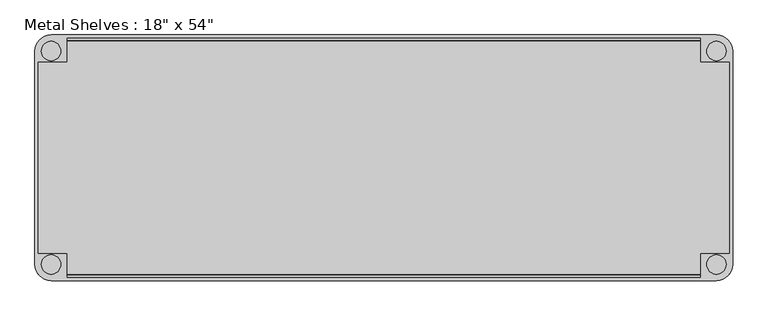
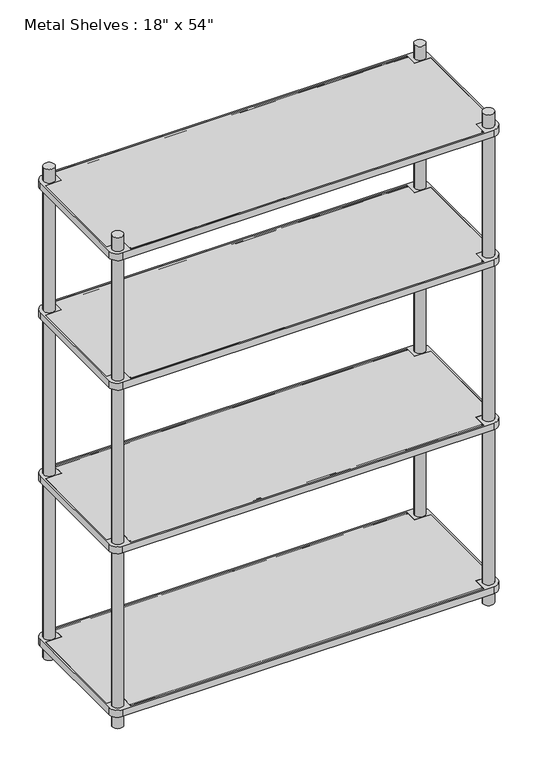
"""IFC4 building model written with IfcOpenShell, lengths in millimetres: furniture geometry."""

from ifc_helpers import new_model, si_unit, point, frame, frame_2d, origin, origin_with_axes, place, context, project, spatial, polyline, circle_curve, trimmed, segment, composite_curve, outline, extrude, source, transform, mapped, element, save


def furniture_fe8b8f31(model_context):
    return source(origin(), model_context, "Body", "SweptSolid", [
        extrude(outline(polyline([(-622.3, 234.95), (622.3, 234.95), (622.3, 187.325), (679.45, 187.325), (679.45, -187.325), (622.3, -187.325), (622.3, -234.95), (-622.3, -234.95), (-622.3, -187.325), (-679.45, -187.325), (-679.45, 187.325), (-622.3, 187.325), (-622.3, 234.95)])), frame((0.0, 0.0, 50.8), z_axis=(0.0, 0.0, 1.0), x_axis=(1.0, 0.0, 0.0)), (0.0, 0.0, 1.0), 25.4),
        extrude(outline(polyline([(-622.3, 234.95), (622.3, 234.95), (622.3, 187.325), (679.45, 187.325), (679.45, -187.325), (622.3, -187.325), (622.3, -234.95), (-622.3, -234.95), (-622.3, -187.325), (-679.45, -187.325), (-679.45, 187.325), (-622.3, 187.325), (-622.3, 234.95)])), frame((0.0, 0.0, 660.4), z_axis=(0.0, 0.0, 1.0), x_axis=(1.0, 0.0, 0.0)), (0.0, 0.0, 1.0), 25.4),
        extrude(outline(polyline([(-622.3, 234.95), (622.3, 234.95), (622.3, 187.325), (679.45, 187.325), (679.45, -187.325), (622.3, -187.325), (622.3, -234.95), (-622.3, -234.95), (-622.3, -187.325), (-679.45, -187.325), (-679.45, 187.325), (-622.3, 187.325), (-622.3, 234.95)])), frame((0.0, 0.0, 1270.0), z_axis=(0.0, 0.0, 1.0), x_axis=(1.0, 0.0, 0.0)), (0.0, 0.0, 1.0), 25.4),
        extrude(outline(polyline([(-679.45, 187.325), (-622.3, 187.325), (-622.3, 234.95), (622.3, 234.95), (622.3, 187.325), (679.45, 187.325), (679.45, -187.325), (622.3, -187.325), (622.3, -234.95), (-622.3, -234.95), (-622.3, -187.325), (-679.45, -187.325), (-679.45, 187.325)])), frame((0.0, 0.0, 1752.6), z_axis=(0.0, 0.0, 1.0), x_axis=(1.0, 0.0, 0.0)), (0.0, 0.0, 1.0), 25.4),
        extrude(outline(composite_curve([segment(trimmed(circle_curve(frame_2d((654.05, -209.55)), 31.75), [point((685.8, -209.55))], [point((654.05, -241.3))], False, "CARTESIAN"), True, "CONTINUOUS"), segment(polyline([(654.05, -241.3), (-654.05, -241.3)]), True, "CONTINUOUS"), segment(trimmed(circle_curve(frame_2d((-654.05, -209.55)), 31.75), [point((-654.05, -241.3))], [point((-685.8, -209.55))], False, "CARTESIAN"), True, "CONTINUOUS"), segment(polyline([(-685.8, -209.55), (-685.8, 209.55)]), True, "CONTINUOUS"), segment(trimmed(circle_curve(frame_2d((-654.05, 209.55)), 31.75), [point((-685.8, 209.55))], [point((-654.05, 241.3))], False, "CARTESIAN"), True, "CONTINUOUS"), segment(polyline([(-654.05, 241.3), (654.05, 241.3)]), True, "CONTINUOUS"), segment(trimmed(circle_curve(frame_2d((654.05, 209.55)), 31.75), [point((654.05, 241.3))], [point((685.8, 209.55))], False, "CARTESIAN"), True, "CONTINUOUS"), segment(polyline([(685.8, 209.55), (685.8, -209.55)]), True, "CONTINUOUS")], self_intersect=False), holes=[polyline([(-622.3, -234.95), (622.3, -234.95), (622.3, -187.325), (679.45, -187.325), (679.45, 187.325), (622.3, 187.325), (622.3, 234.95), (-622.3, 234.95), (-622.3, 187.325), (-679.45, 187.325), (-679.45, -187.325), (-622.3, -187.325), (-622.3, -234.95)]), composite_curve([segment(trimmed(circle_curve(frame_2d((654.05, -209.55)), 19.05), [point((635.0, -209.55))], [point((673.1, -209.55))], True, "CARTESIAN"), True, "CONTINUOUS"), segment(trimmed(circle_curve(frame_2d((654.05, -209.55)), 19.05), [point((673.1, -209.55))], [point((635.0, -209.55))], True, "CARTESIAN"), True, "CONTINUOUS")], self_intersect=False), composite_curve([segment(trimmed(circle_curve(frame_2d((654.05, 209.55)), 19.05), [point((635.0, 209.55))], [point((673.1, 209.55))], True, "CARTESIAN"), True, "CONTINUOUS"), segment(trimmed(circle_curve(frame_2d((654.05, 209.55)), 19.05), [point((673.1, 209.55))], [point((635.0, 209.55))], True, "CARTESIAN"), True, "CONTINUOUS")], self_intersect=False), composite_curve([segment(trimmed(circle_curve(frame_2d((-654.05, 209.55)), 19.05), [point((-635.0, 209.55))], [point((-673.1, 209.55))], True, "CARTESIAN"), True, "CONTINUOUS"), segment(trimmed(circle_curve(frame_2d((-654.05, 209.55)), 19.05), [point((-673.1, 209.55))], [point((-635.0, 209.55))], True, "CARTESIAN"), True, "CONTINUOUS")], self_intersect=False), composite_curve([segment(trimmed(circle_curve(frame_2d((-654.05, -209.55)), 19.05), [point((-635.0, -209.55))], [point((-673.1, -209.55))], True, "CARTESIAN"), True, "CONTINUOUS"), segment(trimmed(circle_curve(frame_2d((-654.05, -209.55)), 19.05), [point((-673.1, -209.55))], [point((-635.0, -209.55))], True, "CARTESIAN"), True, "CONTINUOUS")], self_intersect=False)]), frame((0.0, 0.0, 660.4), z_axis=(0.0, 0.0, 1.0), x_axis=(1.0, 0.0, 0.0)), (0.0, 0.0, 1.0), 25.4),
        extrude(outline(composite_curve([segment(trimmed(circle_curve(frame_2d((-654.05, -209.55)), 31.75), [point((-654.05, -241.3))], [point((-685.8, -209.55))], False, "CARTESIAN"), True, "CONTINUOUS"), segment(polyline([(-685.8, -209.55), (-685.8, 209.55)]), True, "CONTINUOUS"), segment(trimmed(circle_curve(frame_2d((-654.05, 209.55)), 31.75), [point((-685.8, 209.55))], [point((-654.05, 241.3))], False, "CARTESIAN"), True, "CONTINUOUS"), segment(polyline([(-654.05, 241.3), (654.05, 241.3)]), True, "CONTINUOUS"), segment(trimmed(circle_curve(frame_2d((654.05, 209.55)), 31.75), [point((654.05, 241.3))], [point((685.8, 209.55))], False, "CARTESIAN"), True, "CONTINUOUS"), segment(polyline([(685.8, 209.55), (685.8, -209.55)]), True, "CONTINUOUS"), segment(trimmed(circle_curve(frame_2d((654.05, -209.55)), 31.75), [point((685.8, -209.55))], [point((654.05, -241.3))], False, "CARTESIAN"), True, "CONTINUOUS"), segment(polyline([(654.05, -241.3), (-654.05, -241.3)]), True, "CONTINUOUS")], self_intersect=False), holes=[composite_curve([segment(trimmed(circle_curve(frame_2d((-654.05, -209.55)), 19.05), [point((-635.0, -209.55))], [point((-673.1, -209.55))], True, "CARTESIAN"), True, "CONTINUOUS"), segment(trimmed(circle_curve(frame_2d((-654.05, -209.55)), 19.05), [point((-673.1, -209.55))], [point((-635.0, -209.55))], True, "CARTESIAN"), True, "CONTINUOUS")], self_intersect=False), composite_curve([segment(trimmed(circle_curve(frame_2d((-654.05, 209.55)), 19.05), [point((-635.0, 209.55))], [point((-673.1, 209.55))], True, "CARTESIAN"), True, "CONTINUOUS"), segment(trimmed(circle_curve(frame_2d((-654.05, 209.55)), 19.05), [point((-673.1, 209.55))], [point((-635.0, 209.55))], True, "CARTESIAN"), True, "CONTINUOUS")], self_intersect=False), composite_curve([segment(trimmed(circle_curve(frame_2d((654.05, -209.55)), 19.05), [point((635.0, -209.55))], [point((673.1, -209.55))], True, "CARTESIAN"), True, "CONTINUOUS"), segment(trimmed(circle_curve(frame_2d((654.05, -209.55)), 19.05), [point((673.1, -209.55))], [point((635.0, -209.55))], True, "CARTESIAN"), True, "CONTINUOUS")], self_intersect=False), composite_curve([segment(trimmed(circle_curve(frame_2d((654.05, 209.55)), 19.05), [point((635.0, 209.55))], [point((673.1, 209.55))], True, "CARTESIAN"), True, "CONTINUOUS"), segment(trimmed(circle_curve(frame_2d((654.05, 209.55)), 19.05), [point((673.1, 209.55))], [point((635.0, 209.55))], True, "CARTESIAN"), True, "CONTINUOUS")], self_intersect=False), polyline([(-622.3, -234.95), (622.3, -234.95), (622.3, -187.325), (679.45, -187.325), (679.45, 187.325), (622.3, 187.325), (622.3, 234.95), (-622.3, 234.95), (-622.3, 187.325), (-679.45, 187.325), (-679.45, -187.325), (-622.3, -187.325), (-622.3, -234.95)])]), frame((0.0, 0.0, 50.8), z_axis=(0.0, 0.0, 1.0), x_axis=(1.0, 0.0, 0.0)), (0.0, 0.0, 1.0), 25.4),
        extrude(outline(composite_curve([segment(trimmed(circle_curve(frame_2d((-654.05, 209.55)), 31.75), [point((-685.8, 209.55))], [point((-654.05, 241.3))], False, "CARTESIAN"), True, "CONTINUOUS"), segment(polyline([(-654.05, 241.3), (654.05, 241.3)]), True, "CONTINUOUS"), segment(trimmed(circle_curve(frame_2d((654.05, 209.55)), 31.75), [point((654.05, 241.3))], [point((685.8, 209.55))], False, "CARTESIAN"), True, "CONTINUOUS"), segment(polyline([(685.8, 209.55), (685.8, -209.55)]), True, "CONTINUOUS"), segment(trimmed(circle_curve(frame_2d((654.05, -209.55)), 31.75), [point((685.8, -209.55))], [point((654.05, -241.3))], False, "CARTESIAN"), True, "CONTINUOUS"), segment(polyline([(654.05, -241.3), (-654.05, -241.3)]), True, "CONTINUOUS"), segment(trimmed(circle_curve(frame_2d((-654.05, -209.55)), 31.75), [point((-654.05, -241.3))], [point((-685.8, -209.55))], False, "CARTESIAN"), True, "CONTINUOUS"), segment(polyline([(-685.8, -209.55), (-685.8, 209.55)]), True, "CONTINUOUS")], self_intersect=False), holes=[composite_curve([segment(trimmed(circle_curve(frame_2d((-654.05, 209.55)), 19.05), [point((-635.0, 209.55))], [point((-673.1, 209.55))], True, "CARTESIAN"), True, "CONTINUOUS"), segment(trimmed(circle_curve(frame_2d((-654.05, 209.55)), 19.05), [point((-673.1, 209.55))], [point((-635.0, 209.55))], True, "CARTESIAN"), True, "CONTINUOUS")], self_intersect=False), composite_curve([segment(trimmed(circle_curve(frame_2d((-654.05, -209.55)), 19.05), [point((-635.0, -209.55))], [point((-673.1, -209.55))], True, "CARTESIAN"), True, "CONTINUOUS"), segment(trimmed(circle_curve(frame_2d((-654.05, -209.55)), 19.05), [point((-673.1, -209.55))], [point((-635.0, -209.55))], True, "CARTESIAN"), True, "CONTINUOUS")], self_intersect=False), composite_curve([segment(trimmed(circle_curve(frame_2d((654.05, -209.55)), 19.05), [point((635.0, -209.55))], [point((673.1, -209.55))], True, "CARTESIAN"), True, "CONTINUOUS"), segment(trimmed(circle_curve(frame_2d((654.05, -209.55)), 19.05), [point((673.1, -209.55))], [point((635.0, -209.55))], True, "CARTESIAN"), True, "CONTINUOUS")], self_intersect=False), polyline([(-622.3, -234.95), (622.3, -234.95), (622.3, -187.325), (679.45, -187.325), (679.45, 187.325), (622.3, 187.325), (622.3, 234.95), (-622.3, 234.95), (-622.3, 187.325), (-679.45, 187.325), (-679.45, -187.325), (-622.3, -187.325), (-622.3, -234.95)]), composite_curve([segment(trimmed(circle_curve(frame_2d((654.05, 209.55)), 19.05), [point((635.0, 209.55))], [point((673.1, 209.55))], True, "CARTESIAN"), True, "CONTINUOUS"), segment(trimmed(circle_curve(frame_2d((654.05, 209.55)), 19.05), [point((673.1, 209.55))], [point((635.0, 209.55))], True, "CARTESIAN"), True, "CONTINUOUS")], self_intersect=False)]), frame((0.0, 0.0, 1270.0), z_axis=(0.0, 0.0, 1.0), x_axis=(1.0, 0.0, 0.0)), (0.0, 0.0, 1.0), 25.4),
        extrude(outline(composite_curve([segment(trimmed(circle_curve(frame_2d((-654.05, -209.55)), 31.75), [point((-654.05, -241.3))], [point((-685.8, -209.55))], False, "CARTESIAN"), True, "CONTINUOUS"), segment(polyline([(-685.8, -209.55), (-685.8, 209.55)]), True, "CONTINUOUS"), segment(trimmed(circle_curve(frame_2d((-654.05, 209.55)), 31.75), [point((-685.8, 209.55))], [point((-654.05, 241.3))], False, "CARTESIAN"), True, "CONTINUOUS"), segment(polyline([(-654.05, 241.3), (654.05, 241.3)]), True, "CONTINUOUS"), segment(trimmed(circle_curve(frame_2d((654.05, 209.55)), 31.75), [point((654.05, 241.3))], [point((685.8, 209.55))], False, "CARTESIAN"), True, "CONTINUOUS"), segment(polyline([(685.8, 209.55), (685.8, -209.55)]), True, "CONTINUOUS"), segment(trimmed(circle_curve(frame_2d((654.05, -209.55)), 31.75), [point((685.8, -209.55))], [point((654.05, -241.3))], False, "CARTESIAN"), True, "CONTINUOUS"), segment(polyline([(654.05, -241.3), (-654.05, -241.3)]), True, "CONTINUOUS")], self_intersect=False), holes=[composite_curve([segment(trimmed(circle_curve(frame_2d((654.05, 209.55)), 19.05), [point((635.0, 209.55))], [point((673.1, 209.55))], True, "CARTESIAN"), True, "CONTINUOUS"), segment(trimmed(circle_curve(frame_2d((654.05, 209.55)), 19.05), [point((673.1, 209.55))], [point((635.0, 209.55))], True, "CARTESIAN"), True, "CONTINUOUS")], self_intersect=False), composite_curve([segment(trimmed(circle_curve(frame_2d((654.05, -209.55)), 19.05), [point((635.0, -209.55))], [point((673.1, -209.55))], True, "CARTESIAN"), True, "CONTINUOUS"), segment(trimmed(circle_curve(frame_2d((654.05, -209.55)), 19.05), [point((673.1, -209.55))], [point((635.0, -209.55))], True, "CARTESIAN"), True, "CONTINUOUS")], self_intersect=False), composite_curve([segment(trimmed(circle_curve(frame_2d((-654.05, 209.55)), 19.05), [point((-635.0, 209.55))], [point((-673.1, 209.55))], True, "CARTESIAN"), True, "CONTINUOUS"), segment(trimmed(circle_curve(frame_2d((-654.05, 209.55)), 19.05), [point((-673.1, 209.55))], [point((-635.0, 209.55))], True, "CARTESIAN"), True, "CONTINUOUS")], self_intersect=False), polyline([(679.45, -187.325), (679.45, 187.325), (622.3, 187.325), (622.3, 234.95), (-622.3, 234.95), (-622.3, 187.325), (-679.45, 187.325), (-679.45, -187.325), (-622.3, -187.325), (-622.3, -234.95), (622.3, -234.95), (622.3, -187.325), (679.45, -187.325)]), composite_curve([segment(trimmed(circle_curve(frame_2d((-654.05, -209.55)), 19.05), [point((-635.0, -209.55))], [point((-673.1, -209.55))], True, "CARTESIAN"), True, "CONTINUOUS"), segment(trimmed(circle_curve(frame_2d((-654.05, -209.55)), 19.05), [point((-673.1, -209.55))], [point((-635.0, -209.55))], True, "CARTESIAN"), True, "CONTINUOUS")], self_intersect=False)]), frame((0.0, 0.0, 1752.6), z_axis=(0.0, 0.0, 1.0), x_axis=(1.0, 0.0, 0.0)), (0.0, 0.0, 1.0), 25.4),
        extrude(outline(composite_curve([segment(trimmed(circle_curve(frame_2d((228.6, 1776.4125)), 1.5875), [point((227.0125, 1776.4125))], [point((230.1875, 1776.4125))], False, "CARTESIAN"), True, "CONTINUOUS"), segment(trimmed(circle_curve(frame_2d((228.6, 1776.4125)), 1.5875), [point((230.1875, 1776.4125))], [point((227.0125, 1776.4125))], False, "CARTESIAN"), True, "CONTINUOUS")], self_intersect=False)), frame((-622.3, 0.0, 0.0), z_axis=(1.0, 0.0, 0.0), x_axis=(0.0, 1.0, 0.0)), (0.0, 0.0, 1.0), 1244.6),
        extrude(outline(composite_curve([segment(trimmed(circle_curve(frame_2d((-228.6, 1776.4125)), 1.5875), [point((-230.1875, 1776.4125))], [point((-227.0125, 1776.4125))], False, "CARTESIAN"), True, "CONTINUOUS"), segment(trimmed(circle_curve(frame_2d((-228.6, 1776.4125)), 1.5875), [point((-227.0125, 1776.4125))], [point((-230.1875, 1776.4125))], False, "CARTESIAN"), True, "CONTINUOUS")], self_intersect=False)), frame((-622.3, 0.0, 0.0), z_axis=(1.0, 0.0, 0.0), x_axis=(0.0, 1.0, 0.0)), (0.0, 0.0, 1.0), 1244.6),
        extrude(outline(composite_curve([segment(trimmed(circle_curve(frame_2d((228.6, 1293.8125)), 1.5875), [point((227.0125, 1293.8125))], [point((230.1875, 1293.8125))], False, "CARTESIAN"), True, "CONTINUOUS"), segment(trimmed(circle_curve(frame_2d((228.6, 1293.8125)), 1.5875), [point((230.1875, 1293.8125))], [point((227.0125, 1293.8125))], False, "CARTESIAN"), True, "CONTINUOUS")], self_intersect=False)), frame((-622.3, 0.0, 0.0), z_axis=(1.0, 0.0, 0.0), x_axis=(0.0, 1.0, 0.0)), (0.0, 0.0, 1.0), 1244.6),
        extrude(outline(composite_curve([segment(trimmed(circle_curve(frame_2d((-228.6, 1293.8125)), 1.5875), [point((-230.1875, 1293.8125))], [point((-227.0125, 1293.8125))], False, "CARTESIAN"), True, "CONTINUOUS"), segment(trimmed(circle_curve(frame_2d((-228.6, 1293.8125)), 1.5875), [point((-227.0125, 1293.8125))], [point((-230.1875, 1293.8125))], False, "CARTESIAN"), True, "CONTINUOUS")], self_intersect=False)), frame((-622.3, 0.0, 0.0), z_axis=(1.0, 0.0, 0.0), x_axis=(0.0, 1.0, 0.0)), (0.0, 0.0, 1.0), 1244.6),
        extrude(outline(composite_curve([segment(trimmed(circle_curve(frame_2d((228.6, 684.2125)), 1.5875), [point((227.0125, 684.2125))], [point((230.1875, 684.2125))], False, "CARTESIAN"), True, "CONTINUOUS"), segment(trimmed(circle_curve(frame_2d((228.6, 684.2125)), 1.5875), [point((230.1875, 684.2125))], [point((227.0125, 684.2125))], False, "CARTESIAN"), True, "CONTINUOUS")], self_intersect=False)), frame((-622.3, 0.0, 0.0), z_axis=(1.0, 0.0, 0.0), x_axis=(0.0, 1.0, 0.0)), (0.0, 0.0, 1.0), 1244.6),
        extrude(outline(composite_curve([segment(trimmed(circle_curve(frame_2d((-228.6, 684.2125)), 1.5875), [point((-230.1875, 684.2125))], [point((-227.0125, 684.2125))], False, "CARTESIAN"), True, "CONTINUOUS"), segment(trimmed(circle_curve(frame_2d((-228.6, 684.2125)), 1.5875), [point((-227.0125, 684.2125))], [point((-230.1875, 684.2125))], False, "CARTESIAN"), True, "CONTINUOUS")], self_intersect=False)), frame((-622.3, 0.0, 0.0), z_axis=(1.0, 0.0, 0.0), x_axis=(0.0, 1.0, 0.0)), (0.0, 0.0, 1.0), 1244.6),
        extrude(outline(composite_curve([segment(trimmed(circle_curve(frame_2d((228.6, 74.6125)), 1.5875), [point((227.0125, 74.6125))], [point((230.1875, 74.6125))], False, "CARTESIAN"), True, "CONTINUOUS"), segment(trimmed(circle_curve(frame_2d((228.6, 74.6125)), 1.5875), [point((230.1875, 74.6125))], [point((227.0125, 74.6125))], False, "CARTESIAN"), True, "CONTINUOUS")], self_intersect=False)), frame((-622.3, 0.0, 0.0), z_axis=(1.0, 0.0, 0.0), x_axis=(0.0, 1.0, 0.0)), (0.0, 0.0, 1.0), 1244.6),
        extrude(outline(composite_curve([segment(trimmed(circle_curve(frame_2d((-228.6, 74.6125)), 1.5875), [point((-230.1875, 74.6125))], [point((-227.0125, 74.6125))], False, "CARTESIAN"), True, "CONTINUOUS"), segment(trimmed(circle_curve(frame_2d((-228.6, 74.6125)), 1.5875), [point((-227.0125, 74.6125))], [point((-230.1875, 74.6125))], False, "CARTESIAN"), True, "CONTINUOUS")], self_intersect=False)), frame((-622.3, 0.0, 0.0), z_axis=(1.0, 0.0, 0.0), x_axis=(0.0, 1.0, 0.0)), (0.0, 0.0, 1.0), 1244.6),
        extrude(outline(composite_curve([segment(trimmed(circle_curve(frame_2d((654.05, -209.55)), 19.05), [point((673.1, -209.55))], [point((635.0, -209.55))], False, "CARTESIAN"), True, "CONTINUOUS"), segment(trimmed(circle_curve(frame_2d((654.05, -209.55)), 19.05), [point((635.0, -209.55))], [point((673.1, -209.55))], False, "CARTESIAN"), True, "CONTINUOUS")], self_intersect=False)), origin_with_axes(), (0.0, 0.0, 1.0), 1828.8),
        extrude(outline(composite_curve([segment(trimmed(circle_curve(frame_2d((-654.05, -209.55)), 19.05), [point((-673.1, -209.55))], [point((-635.0, -209.55))], False, "CARTESIAN"), True, "CONTINUOUS"), segment(trimmed(circle_curve(frame_2d((-654.05, -209.55)), 19.05), [point((-635.0, -209.55))], [point((-673.1, -209.55))], False, "CARTESIAN"), True, "CONTINUOUS")], self_intersect=False)), origin_with_axes(), (0.0, 0.0, 1.0), 1828.8),
        extrude(outline(composite_curve([segment(trimmed(circle_curve(frame_2d((654.05, 209.55)), 19.05), [point((673.1, 209.55))], [point((635.0, 209.55))], False, "CARTESIAN"), True, "CONTINUOUS"), segment(trimmed(circle_curve(frame_2d((654.05, 209.55)), 19.05), [point((635.0, 209.55))], [point((673.1, 209.55))], False, "CARTESIAN"), True, "CONTINUOUS")], self_intersect=False)), origin_with_axes(), (0.0, 0.0, 1.0), 1828.8),
        extrude(outline(composite_curve([segment(trimmed(circle_curve(frame_2d((-654.05, 209.55)), 19.05), [point((-673.1, 209.55))], [point((-635.0, 209.55))], False, "CARTESIAN"), True, "CONTINUOUS"), segment(trimmed(circle_curve(frame_2d((-654.05, 209.55)), 19.05), [point((-635.0, 209.55))], [point((-673.1, 209.55))], False, "CARTESIAN"), True, "CONTINUOUS")], self_intersect=False)), origin_with_axes(), (0.0, 0.0, 1.0), 1828.8),
    ])


if __name__ == "__main__":
    model = new_model("IFC4")
    model_context = context("Model", 3, world=origin())
    ifc_project = project(units=[si_unit("LENGTHUNIT", "METRE", prefix="MILLI")], contexts=[model_context])
    site = spatial("IfcSite", under=ifc_project)
    building = spatial("IfcBuilding", under=site)
    placement = place(None, origin())
    furniture_shape = furniture_fe8b8f31(model_context)
    element("IfcFurniture", 1, ObjectType="Metal Shelves : 18\" x 54\"", at=placement, inside=building, context=model_context, shape_type="MappedRepresentation", body=[
        mapped(furniture_shape, transform((0.0, 0.0, 0.0), x_axis=(1.0, 0.0, 0.0), y_axis=(0.0, 1.0, 0.0), z_axis=(0.0, 0.0, 1.0))),
    ])
    save(model, "model.ifc")
